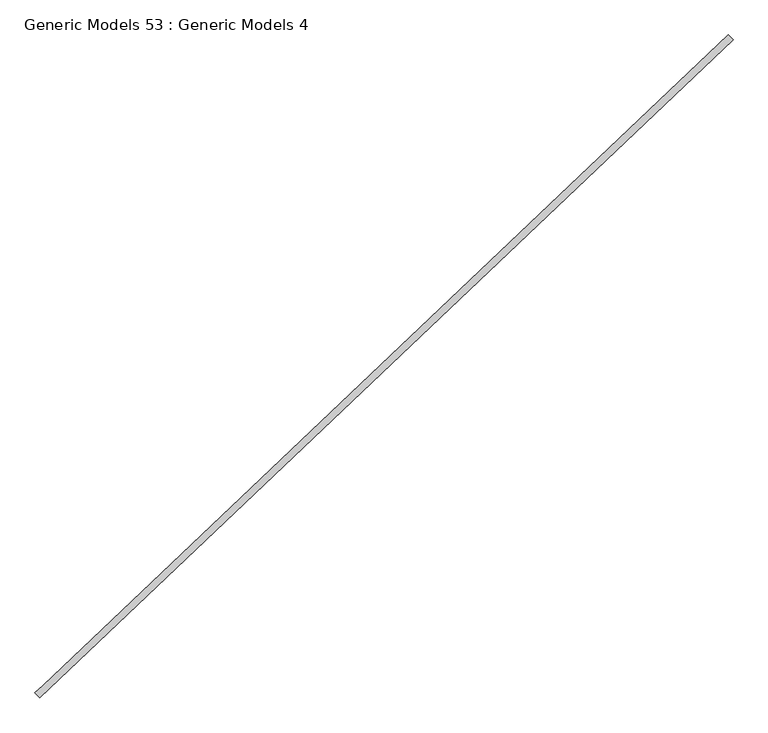
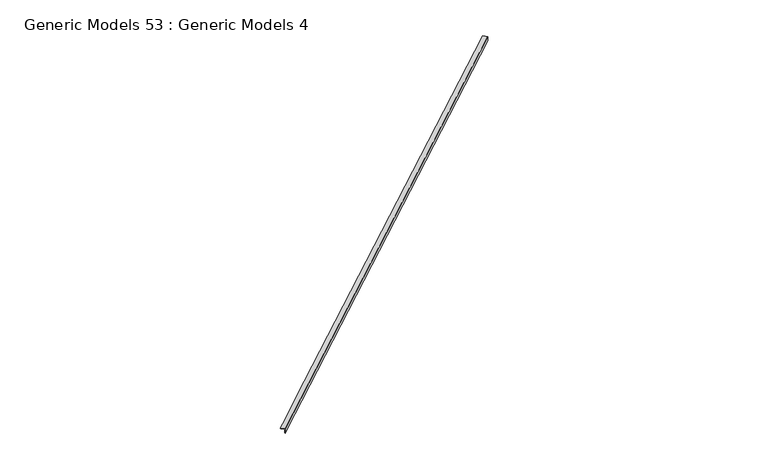
"""IFC4 building model written with IfcOpenShell, lengths in millimetres: proxy geometry, Generic Models 53 : Generic Models 4."""

from ifc_helpers import new_model, si_unit, frame, origin, place, context, project, spatial, polyline, circle_curve, source, transform, mapped, element, save
from ifc_brep_helpers import plane_surface, cylinder_surface, revolved_surface, advanced_brep


def generic_models_53_generic_models_4_471b4da1(model_context):
    return source(origin(), model_context, "Body", "AdvancedBrep", [
        advanced_brep(
        [(101719.8127353, 42557.5789989, 17094.2), (101632.3917041, 42649.7015441, 17094.2), (101641.1338073, 42640.4892896, 17081.5), (101702.328529, 42576.003508, 17081.5), (101711.0706321, 42566.7912535, 17068.8), (101711.0706321, 42566.7912535, 16979.9), (101719.8127353, 42557.5789989, 16967.2), (114544.4225476, 54727.6792928, 17094.2), (114544.4225476, 54727.6792928, 16967.2), (114535.6804445, 54736.8915473, 16979.9), (114535.6804445, 54736.8915473, 17068.8), (114526.9383414, 54746.1038018, 17081.5), (114465.7436196, 54810.5895834, 17081.5), (114457.0015165, 54819.8018379, 17094.2), (102768.8582178, 43553.0859907, 16967.2), (101860.2996166, 42690.8960714, 16967.2), (101772.8785854, 42783.0186165, 17094.2), (102681.4371867, 43645.2085359, 17094.2)],
        [
            (0, 1),
            (1, 2, circle_curve(frame((101641.1338073, 42640.4892896, 17094.2), z_axis=(-0.725374371012385, -0.6883545756936514, 0.0), x_axis=(-0.6883545756936514, 0.725374371012385, 0.0)), 12.7)),
            (2, 3),
            (3, 4, circle_curve(frame((101702.328529, 42576.003508, 17068.8), z_axis=(0.725374371012385, 0.6883545756936514, 0.0), x_axis=(-0.6883545756936514, 0.725374371012385, 0.0)), 12.7)),
            (4, 5),
            (5, 6, circle_curve(frame((101719.8127353, 42557.5789989, 16979.9), z_axis=(-0.725374371012385, -0.6883545756936514, 0.0), x_axis=(-0.6883545756936514, 0.725374371012385, 0.0)), 12.7)),
            (6, 0),
            (7, 8),
            (8, 9, circle_curve(frame((114544.4225476, 54727.6792928, 16979.9), z_axis=(0.725374371012385, 0.6883545756936514, 0.0), x_axis=(-0.6883545756936514, 0.725374371012385, 0.0)), 12.7)),
            (9, 10),
            (10, 11, circle_curve(frame((114526.9383414, 54746.1038018, 17068.8), z_axis=(-0.725374371012385, -0.6883545756936514, 0.0), x_axis=(-0.6883545756936514, 0.725374371012385, 0.0)), 12.7)),
            (11, 12),
            (12, 13, circle_curve(frame((114465.7436196, 54810.5895834, 17094.2), z_axis=(0.725374371012385, 0.6883545756936514, 0.0), x_axis=(-0.6883545756936514, 0.725374371012385, 0.0)), 12.7)),
            (13, 7),
            (3, 11),
            (10, 4),
            (2, 12),
            (9, 5),
            (8, 14),
            (14, 15),
            (15, 6),
            (1, 16),
            (16, 17),
            (17, 13),
            (0, 7),
        ],
        [
            plane_surface(frame((101719.8127353, 42557.5789989, 17094.2), z_axis=(-0.725374371012385, -0.6883545756936514, 0.0), x_axis=(0.0, 0.0, 1.0))),
            plane_surface(frame((114544.4225476, 54727.6792928, 17094.2), z_axis=(0.725374371012385, 0.6883545756936514, 0.0), x_axis=(0.0, 0.0, 1.0))),
            revolved_surface(polyline([(114518.19623823471, 54755.31605636874, 17068.8), (101693.58642588867, 42585.21576251183, 17068.8)]), (101702.328529, 42576.003508, 17068.8), (0.725374371012385, 0.6883545756936514, 0.0)),
            plane_surface(frame((101641.1338073, 42640.4892896, 17081.5), z_axis=(0.0, 0.0, -1.0), x_axis=(0.7253743710123853, 0.6883545756936511, 0.0))),
            plane_surface(frame((101711.0706321, 42566.7912535, 17068.8), z_axis=(-0.6883545756936511, 0.7253743710123853, 0.0), x_axis=(0.7253743710123853, 0.6883545756936511, 0.0))),
            cylinder_surface(frame((101719.8127353, 42557.5789989, 16979.9), z_axis=(-0.725374371012385, -0.6883545756936514, 0.0), x_axis=(-0.6883545756936514, 0.725374371012385, 0.0)), 12.7),
            cylinder_surface(frame((101641.1338073, 42640.4892896, 17094.2), z_axis=(-0.725374371012385, -0.6883545756936514, 0.0), x_axis=(-0.6883545756936514, 0.725374371012385, 0.0)), 12.7),
            plane_surface(frame((101719.8127353, 42557.5789989, 17094.2), z_axis=(0.0, 0.0, 1.0000000000000002), x_axis=(0.7253743710123847, 0.6883545756936519, 0.0))),
            plane_surface(frame((101719.8127353, 42557.5789989, 16967.2), z_axis=(0.6883545756936515, -0.7253743710123848, 0.0), x_axis=(0.7253743710123848, 0.6883545756936515, 0.0))),
        ],
        [
            (0, [[1, 2, 3, 4, 5, 6, 7]]),
            (1, [[8, 9, 10, 11, 12, 13, 14]]),
            (2, [[-4, 15, -11, 16]]),
            (3, [[-3, 17, -12, -15]]),
            (4, [[-5, -16, -10, 18]]),
            (5, [[-6, -18, -9, 19, 20, 21]]),
            (6, [[-2, 22, 23, 24, -13, -17]]),
            (7, [[-1, 25, -14, -24, -23, -22]]),
            (8, [[-7, -21, -20, -19, -8, -25]]),
        ],
    ),
    ])


if __name__ == "__main__":
    model = new_model("IFC4")
    model_context = context("Model", 3, world=origin())
    ifc_project = project(units=[si_unit("LENGTHUNIT", "METRE", prefix="MILLI")], contexts=[model_context])
    site = spatial("IfcSite", under=ifc_project)
    building = spatial("IfcBuilding", under=site)
    placement = place(None, origin())
    generic_models_53_generic_models_4_shape = generic_models_53_generic_models_4_471b4da1(model_context)
    element("IfcBuildingElementProxy", 1, Name="Generic Models 53 : Generic Models 4", ObjectType="Generic Models 53 : Generic Models 4", at=placement, inside=building, context=model_context, shape_type="MappedRepresentation", body=[
        mapped(generic_models_53_generic_models_4_shape, transform((0.0, 0.0, 0.0), x_axis=(1.0, 0.0, 0.0), y_axis=(0.0, 1.0, 0.0), z_axis=(0.0, 0.0, 1.0))),
    ])
    save(model, "model.ifc")
